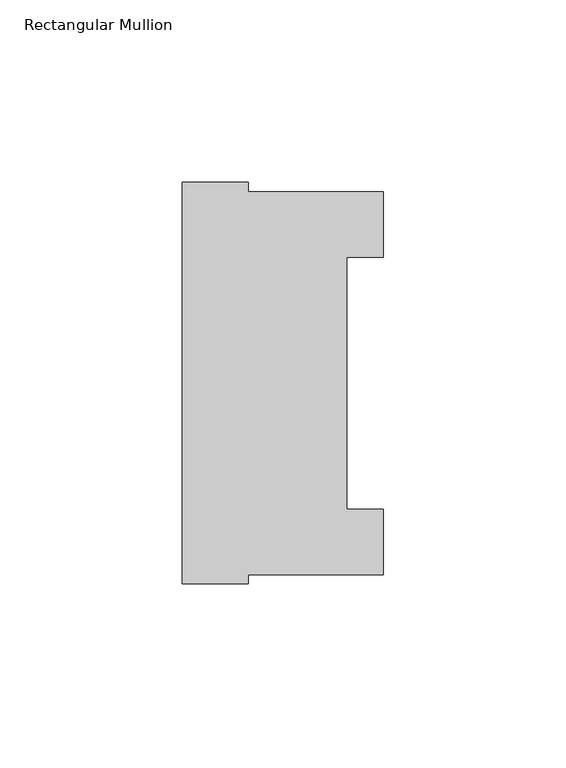
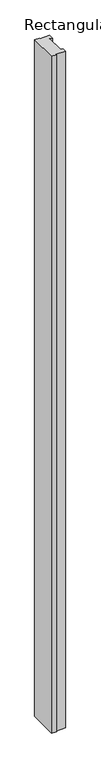
"""IFC4 building model written with IfcOpenShell, lengths in millimetres: member geometry, Rectangular Mullion."""

from ifc_helpers import new_model, si_unit, frame, origin, place, context, project, spatial, polyline, outline, extrude, source, transform, mapped, element, save


def rectangular_mullion_28baf628(model_context):
    return source(origin(), model_context, "Body", "SweptSolid", [
        extrude(outline(polyline([(-55.0, 54.8550798), (-37.0, 54.8550798), (-37.0, 52.3550798), (0.0, 52.3550798), (0.0, 34.3550798), (-10.0, 34.3550798), (-10.0, -34.6449202), (0.0, -34.6449202), (0.0, -52.6449202), (-37.0, -52.6449202), (-37.0, -55.1449202), (-55.0, -55.1449202), (-55.0, 54.8550798)])), frame((0.0, 0.0, -2700.0), z_axis=(0.0, 0.0, 1.0), x_axis=(1.0, 0.0, 0.0)), (0.0, 0.0, 1.0), 2700.0),
    ])


if __name__ == "__main__":
    model = new_model("IFC4")
    model_context = context("Model", 3, world=origin())
    ifc_project = project(units=[si_unit("LENGTHUNIT", "METRE", prefix="MILLI")], contexts=[model_context])
    site = spatial("IfcSite", under=ifc_project)
    building = spatial("IfcBuilding", under=site)
    placement = place(None, origin())
    rectangular_mullion_shape = rectangular_mullion_28baf628(model_context)
    element("IfcMember", 1, ObjectType="Rectangular Mullion", at=placement, inside=building, context=model_context, shape_type="MappedRepresentation", body=[
        mapped(rectangular_mullion_shape, transform((0.0, 0.0, 0.0), x_axis=(1.0, 0.0, 0.0), y_axis=(0.0, 1.0, 0.0), z_axis=(0.0, 0.0, 1.0))),
    ])
    save(model, "model.ifc")
